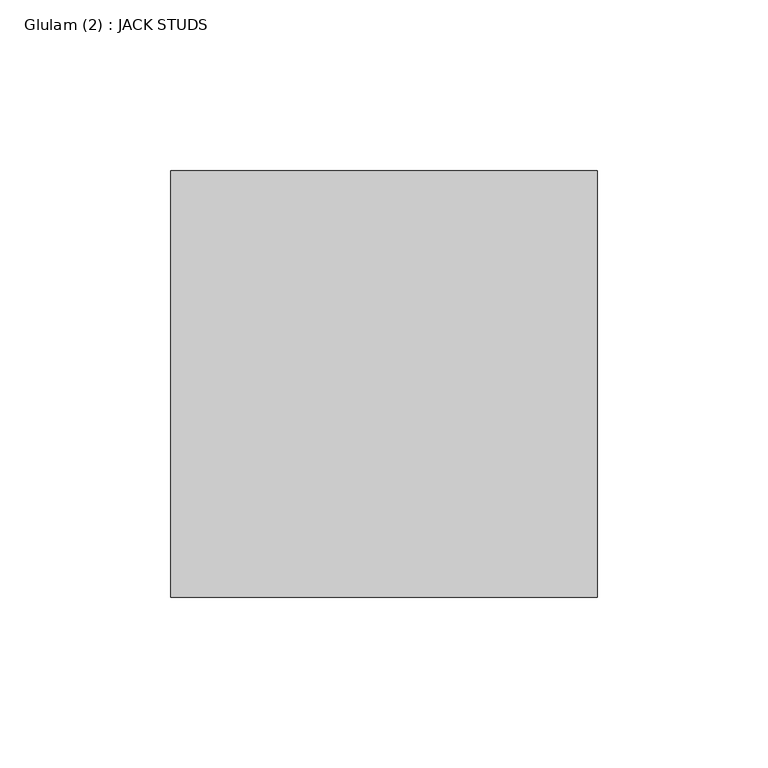
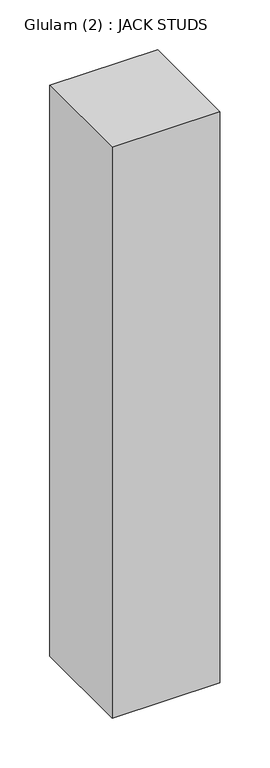
"""IFC4 building model written with IfcOpenShell, lengths in millimetres: column geometry, Glulam (2) : JACK STUDS."""

from ifc_helpers import new_model, si_unit, frame, origin, place, context, project, spatial, polyline, outline, extrude, source, transform, mapped, element, save


def glulam_2_jack_studs_b2661ba9(model_context):
    return source(origin(), model_context, "Body", "SweptSolid", [
        extrude(outline(polyline([(62.5, 62.5), (62.5, -62.5), (-62.5, -62.5), (-62.5, 62.5), (62.5, 62.5)])), frame((0.0, 0.0, -1079.0), z_axis=(0.0, 0.0, 1.0), x_axis=(1.0, 0.0, 0.0)), (0.0, 0.0, 1.0), 700.0),
    ])


if __name__ == "__main__":
    model = new_model("IFC4")
    model_context = context("Model", 3, world=origin())
    ifc_project = project(units=[si_unit("LENGTHUNIT", "METRE", prefix="MILLI")], contexts=[model_context])
    site = spatial("IfcSite", under=ifc_project)
    building = spatial("IfcBuilding", under=site)
    placement = place(None, origin())
    glulam_2_jack_studs_shape = glulam_2_jack_studs_b2661ba9(model_context)
    element("IfcColumn", 1, ObjectType="Glulam (2) : JACK STUDS", at=placement, inside=building, context=model_context, shape_type="MappedRepresentation", body=[
        mapped(glulam_2_jack_studs_shape, transform((0.0, 0.0, 0.0), x_axis=(1.0, 0.0, 0.0), y_axis=(0.0, 1.0, 0.0), z_axis=(0.0, 0.0, 1.0))),
    ])
    save(model, "model.ifc")
